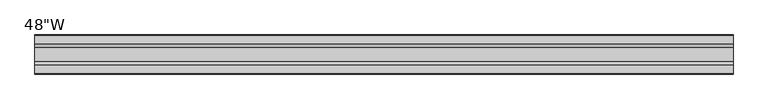
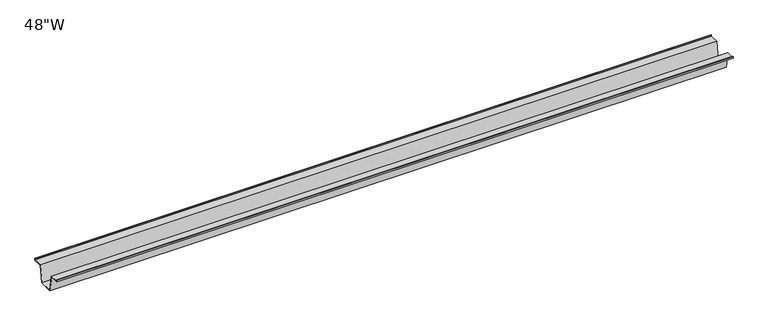
"""IFC4 building model written with IfcOpenShell, lengths in millimetres: furniture geometry."""

from ifc_helpers import new_model, si_unit, frame, origin, place, context, project, spatial, polyline, outline, extrude, source, transform, mapped, element, save


def furniture_03db4097(model_context):
    return source(origin(), model_context, "Body", "SweptSolid", [
        extrude(outline(polyline([(-22.9397721, 942.975), (-28.502372, 912.7490007), (-53.9023728, 912.7490007), (-59.4649727, 942.975), (-75.3653716, 942.975), (-75.3653716, 946.15), (-74.5716216, 946.15), (-74.5716216, 943.76875), (-58.8172994, 943.76875), (-53.2546995, 913.5427507), (-29.1500453, 913.5427507), (-23.5874454, 943.76875), (-7.8331232, 943.76875), (-7.8331232, 946.15), (-7.0393732, 946.15), (-7.0393732, 942.975), (-22.9397721, 942.975)])), frame((-609.6, 0.0, 0.0), z_axis=(1.0, 0.0, 0.0), x_axis=(0.0, 1.0, 0.0)), (0.0, 0.0, 1.0), 1219.2),
    ])


if __name__ == "__main__":
    model = new_model("IFC4")
    model_context = context("Model", 3, world=origin())
    ifc_project = project(units=[si_unit("LENGTHUNIT", "METRE", prefix="MILLI")], contexts=[model_context])
    site = spatial("IfcSite", under=ifc_project)
    building = spatial("IfcBuilding", under=site)
    placement = place(None, origin())
    furniture_shape = furniture_03db4097(model_context)
    element("IfcFurniture", 1, ObjectType="48\"W", at=placement, inside=building, context=model_context, shape_type="MappedRepresentation", body=[
        mapped(furniture_shape, transform((0.0, 0.0, 0.0), x_axis=(1.0, 0.0, 0.0), y_axis=(0.0, 1.0, 0.0), z_axis=(0.0, 0.0, 1.0))),
    ])
    save(model, "model.ifc")
